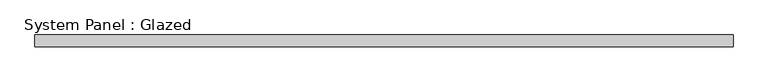
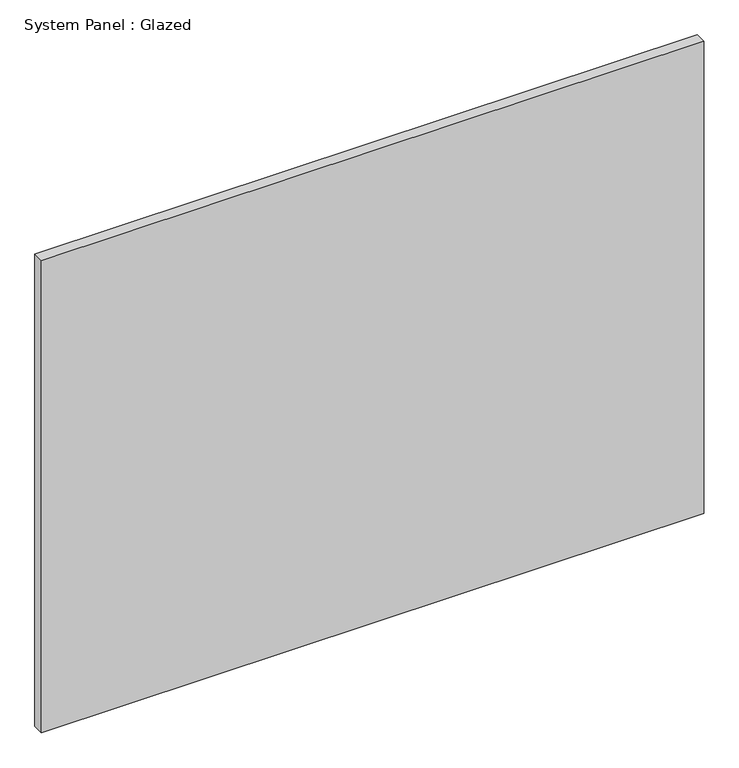
"""IFC4 building model written with IfcOpenShell, lengths in millimetres: plate geometry, System Panel : Glazed."""

from ifc_helpers import new_model, si_unit, origin, origin_with_axes, place, context, project, spatial, polyline, outline, extrude, source, transform, mapped, element, save


def system_panel_glazed_d22581ab(model_context):
    return source(origin(), model_context, "Body", "SweptSolid", [
        extrude(outline(polyline([(762.0, -12.7), (-762.0, -12.7), (-762.0, 12.7), (762.0, 12.7), (762.0, -12.7)])), origin_with_axes(), (0.0, 0.0, 1.0), 1149.35),
    ])


if __name__ == "__main__":
    model = new_model("IFC4")
    model_context = context("Model", 3, world=origin())
    ifc_project = project(units=[si_unit("LENGTHUNIT", "METRE", prefix="MILLI")], contexts=[model_context])
    site = spatial("IfcSite", under=ifc_project)
    building = spatial("IfcBuilding", under=site)
    placement = place(None, origin())
    system_panel_glazed_shape = system_panel_glazed_d22581ab(model_context)
    element("IfcPlate", 1, ObjectType="System Panel : Glazed", at=placement, inside=building, context=model_context, shape_type="MappedRepresentation", body=[
        mapped(system_panel_glazed_shape, transform((0.0, 0.0, 0.0), x_axis=(1.0, 0.0, 0.0), y_axis=(0.0, 1.0, 0.0), z_axis=(0.0, 0.0, 1.0))),
    ])
    save(model, "model.ifc")
